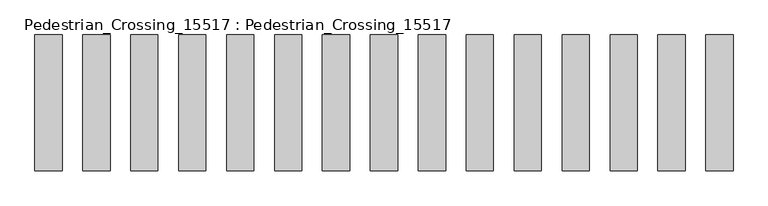
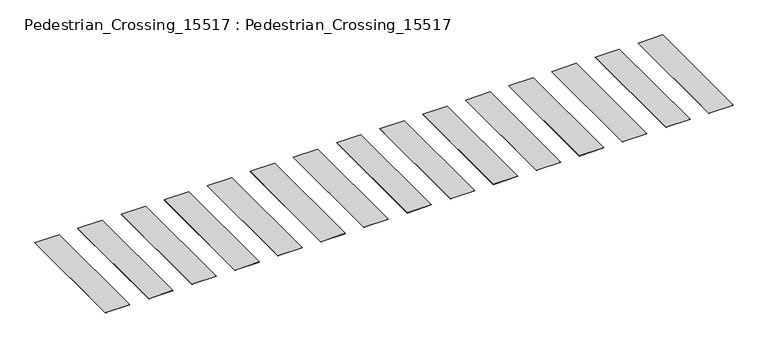
"""IFC4 building model written with IfcOpenShell, lengths in millimetres: proxy geometry, Pedestrian_Crossing_15517 : Pedestrian_Crossing_15517."""

import ifcopenshell
import ifcopenshell.guid

model = None  # the IFC model being written
_history = None  # IfcOwnerHistory: only IFC2X3 demands one
_inside = {}  # id of a spatial element -> (the spatial element, [elements in it])
_under = {}  # id of a project, library or spatial element -> (it, [spatial elements below it])
_declared = {}  # id of a project -> (the project, [libraries it declares])
_typed = {}  # id of a type object -> (the type object, [elements of that type])
_made_of = {}  # id of a material, layer set ... -> (it, [elements and type objects made of it])


def new_model(schema):
    """Start an empty IFC model of exactly this schema.

    Asked for "IFC4X3", IfcOpenShell would pick the latest addendum, in which some entities
    have other attributes; the version numbers below select the first issue.
    IFC2X3 requires an IfcOwnerHistory on every rooted entity: one is made here for all.
    """
    global model, _history
    if schema == "IFC4X3":
        model = ifcopenshell.file(schema_version=(4, 3, 0, 0))
    else:
        model = ifcopenshell.file(schema=schema)
    _inside.clear()
    _under.clear()
    _declared.clear()
    _typed.clear()
    _made_of.clear()
    _history = None
    if model.schema == "IFC2X3":
        org = make("IfcOrganization", Name="unknown")
        user = make(
            "IfcPersonAndOrganization",
            ThePerson=make("IfcPerson", FamilyName="unknown"),
            TheOrganization=org,
        )
        app = make(
            "IfcApplication",
            ApplicationDeveloper=org,
            Version="unknown",
            ApplicationFullName="unknown",
            ApplicationIdentifier="unknown",
        )
        _history = make(
            "IfcOwnerHistory",
            OwningUser=user,
            OwningApplication=app,
            ChangeAction="ADDED",
            CreationDate=0,
        )
    return model


def make(cls, **values):
    """One entity of the class cls with the attributes given. An attribute that is None is left unset."""
    return model.create_entity(
        cls, **{name: value for name, value in values.items() if value is not None}
    )


def rooted(cls, **values):
    """An entity with a GlobalId (a new one), such as an element, a storey or a relation."""
    return make(cls, GlobalId=ifcopenshell.guid.new(), OwnerHistory=_history, **values)


def si_unit(unit_type, name, prefix=None):
    """IfcSIUnit, for example si_unit("LENGTHUNIT", "METRE", prefix="MILLI")."""
    return make("IfcSIUnit", UnitType=unit_type, Prefix=prefix, Name=name)


def assignment(units):
    """IfcUnitAssignment: the units of a project."""
    return None if units is None else make("IfcUnitAssignment", Units=units)


def point(xyz):
    """IfcCartesianPoint."""
    return None if xyz is None else make("IfcCartesianPoint", Coordinates=xyz)


def direction(xyz):
    """IfcDirection."""
    return None if xyz is None else make("IfcDirection", DirectionRatios=xyz)


def frame(location, z_axis=None, x_axis=None):
    """IfcAxis2Placement3D, a coordinate frame: its origin and axes. An axis left out is left unset."""
    return make(
        "IfcAxis2Placement3D",
        Location=point(location),
        Axis=direction(z_axis),
        RefDirection=direction(x_axis),
    )


def origin():
    """The frame at (0, 0, 0) with its axes left unset."""
    return frame((0.0, 0.0, 0.0))


def origin_with_axes():
    """The frame at (0, 0, 0) with the z axis (0, 0, 1) and the x axis (1, 0, 0) written out."""
    return frame((0.0, 0.0, 0.0), z_axis=(0.0, 0.0, 1.0), x_axis=(1.0, 0.0, 0.0))


def place(relative_to, where):
    """IfcLocalPlacement: puts the frame where relative to a parent placement (None: the world)."""
    return make(
        "IfcLocalPlacement", PlacementRelTo=relative_to, RelativePlacement=where
    )


def context(
    kind, dimensions, precision=None, world=None, true_north=None, identifier=None
):
    """IfcGeometricRepresentationContext, for example the 3D "Model" context."""
    return make(
        "IfcGeometricRepresentationContext",
        ContextIdentifier=identifier,
        ContextType=kind,
        CoordinateSpaceDimension=dimensions,
        Precision=precision,
        WorldCoordinateSystem=world,
        TrueNorth=true_north,
    )


def project(units=None, contexts=None):
    """IfcProject with its units and contexts."""
    return rooted(
        "IfcProject",
        Name="project",
        RepresentationContexts=contexts,
        UnitsInContext=assignment(units),
    )


def spatial(cls, under=None, at=None, **own):
    """A site, building, storey or space (cls), placed at a placement, below another one or the project."""
    s = rooted(cls, ObjectPlacement=at, **own)
    if under is not None:
        _under.setdefault(under.id(), (under, []))[1].append(s)
    return s


def polyline(points):
    """IfcPolyline through the points."""
    return make("IfcPolyline", Points=[point(p) for p in points])


def outline(outer, holes=None, kind="AREA"):
    """IfcArbitraryClosedProfileDef: a profile drawn as a closed curve; with holes, ...WithVoids."""
    if holes is None:
        return make("IfcArbitraryClosedProfileDef", ProfileType=kind, OuterCurve=outer)
    return make(
        "IfcArbitraryProfileDefWithVoids",
        ProfileType=kind,
        OuterCurve=outer,
        InnerCurves=holes,
    )


def extrude(swept, where, along, depth):
    """IfcExtrudedAreaSolid: the profile swept, set in the frame where, extruded along a direction by depth."""
    return make(
        "IfcExtrudedAreaSolid",
        SweptArea=swept,
        Position=where,
        ExtrudedDirection=direction(along),
        Depth=depth,
    )


def shape(context_of_items, identifier, shape_type, items):
    """IfcShapeRepresentation: the items that make up one representation, for example the "Body"."""
    return make(
        "IfcShapeRepresentation",
        ContextOfItems=context_of_items,
        RepresentationIdentifier=identifier,
        RepresentationType=shape_type,
        Items=items,
    )


def source(mapping_origin, context_of_items, identifier, shape_type, items):
    """IfcRepresentationMap: a shape defined once, which mapped items show again and again."""
    return make(
        "IfcRepresentationMap",
        MappingOrigin=mapping_origin,
        MappedRepresentation=shape(context_of_items, identifier, shape_type, items),
    )


def transform(
    local_origin,
    x_axis=None,
    y_axis=None,
    z_axis=None,
    scale=None,
    scale2=None,
    scale3=None,
    uniform=True,
):
    """IfcCartesianTransformationOperator3D, or its non-uniform kind. x_axis, y_axis, z_axis: its Axis1, 2, 3."""
    if uniform:
        return make(
            "IfcCartesianTransformationOperator3D",
            Axis1=direction(x_axis),
            Axis2=direction(y_axis),
            LocalOrigin=point(local_origin),
            Scale=scale,
            Axis3=direction(z_axis),
        )
    return make(
        "IfcCartesianTransformationOperator3DnonUniform",
        Axis1=direction(x_axis),
        Axis2=direction(y_axis),
        LocalOrigin=point(local_origin),
        Scale=scale,
        Axis3=direction(z_axis),
        Scale2=scale2,
        Scale3=scale3,
    )


def mapped(mapping_source, mapping_target):
    """IfcMappedItem: shows the shape of a source again, moved by a transform."""
    return make(
        "IfcMappedItem", MappingSource=mapping_source, MappingTarget=mapping_target
    )


def made_of(thing, what):
    """Note that an element or type object is made of a material, layer set ...; save() writes the relation."""
    if what is not None:
        _made_of.setdefault(what.id(), (what, []))[1].append(thing)
    return thing


def element(
    cls,
    number,
    at=None,
    inside=None,
    cuts=None,
    type_object=None,
    material=None,
    context=None,
    identifier="Body",
    shape_type=None,
    held_by="IfcProductDefinitionShape",
    body=None,
    shapes=None,
    **own,
):
    """One element of the class cls, such as IfcWall. Its Tag is "e" and its number.

    at: its placement. inside: the storey or other place that contains it. cuts: it is an
    opening in that element (IfcRelVoidsElement). A single representation is given by context,
    identifier, shape_type and body (its items); several are given by shapes. held_by: the class
    of the entity that holds the representations. save() writes the other relations.
    """
    e = rooted(cls, Tag="e%d" % number, ObjectPlacement=at, **own)
    if body is not None:
        shapes = [shape(context, identifier, shape_type, body)]
    if shapes is not None:
        e.Representation = make(held_by, Representations=shapes)
    if inside is not None:
        _inside.setdefault(inside.id(), (inside, []))[1].append(e)
    if cuts is not None:
        rooted(
            "IfcRelVoidsElement", RelatingBuildingElement=cuts, RelatedOpeningElement=e
        )
    if type_object is not None:
        _typed.setdefault(type_object.id(), (type_object, []))[1].append(e)
    return made_of(e, material)


def aggregate(whole, parts):
    """IfcRelAggregates: a whole, such as a stair, and the parts it consists of."""
    return rooted("IfcRelAggregates", RelatingObject=whole, RelatedObjects=parts)


def save(model, path):
    """Write the relations noted so far, then the file.

    IfcRelAggregates (storeys below a building ...), IfcRelContainedInSpatialStructure (elements
    in a storey), IfcRelDefinesByType, IfcRelAssociatesMaterial and IfcRelDeclares: one each for
    every whole, place, type object, material and project.
    """
    for whole, parts in _under.values():
        aggregate(whole, parts)
    for where, things in _inside.values():
        rooted(
            "IfcRelContainedInSpatialStructure",
            RelatedElements=things,
            RelatingStructure=where,
        )
    for kind, things in _typed.values():
        rooted("IfcRelDefinesByType", RelatedObjects=things, RelatingType=kind)
    for what, things in _made_of.values():
        rooted("IfcRelAssociatesMaterial", RelatedObjects=things, RelatingMaterial=what)
    for by, libraries in _declared.values():
        rooted("IfcRelDeclares", RelatingContext=by, RelatedDefinitions=libraries)
    model.write(path)


def pedestrian_crossing_15517_pedestrian_crossing_15517_d7008253(model_context):
    return source(origin(), model_context, "Body", "SweptSolid", [
        extrude(outline(polyline([(13750.3933103, 3000.0), (14350.3933103, 3000.0), (14350.3933103, 0.0), (13750.3933103, 0.0), (13750.3933103, 3000.0)])), origin_with_axes(), (0.0, 0.0, 1.0), 3.175),
        extrude(outline(polyline([(12692.670748, 3000.0), (13292.670748, 3000.0), (13292.670748, 0.0), (12692.670748, 0.0), (12692.670748, 3000.0)])), origin_with_axes(), (0.0, 0.0, 1.0), 3.175),
        extrude(outline(polyline([(11634.9481856, 3000.0), (12234.9481856, 3000.0), (12234.9481856, 0.0), (11634.9481856, 0.0), (11634.9481856, 3000.0)])), origin_with_axes(), (0.0, 0.0, 1.0), 3.175),
        extrude(outline(polyline([(10577.2256233, 3000.0), (11177.2256233, 3000.0), (11177.2256233, 0.0), (10577.2256233, 0.0), (10577.2256233, 3000.0)])), origin_with_axes(), (0.0, 0.0, 1.0), 3.175),
        extrude(outline(polyline([(9519.503061, 3000.0), (10119.503061, 3000.0), (10119.503061, 0.0), (9519.503061, 0.0), (9519.503061, 3000.0)])), origin_with_axes(), (0.0, 0.0, 1.0), 3.175),
        extrude(outline(polyline([(8461.7804986, 3000.0), (9061.7804986, 3000.0), (9061.7804986, 0.0), (8461.7804986, 0.0), (8461.7804986, 3000.0)])), origin_with_axes(), (0.0, 0.0, 1.0), 3.175),
        extrude(outline(polyline([(7404.0579363, 3000.0), (8004.0579363, 3000.0), (8004.0579363, 0.0), (7404.0579363, 0.0), (7404.0579363, 3000.0)])), origin_with_axes(), (0.0, 0.0, 1.0), 3.175),
        extrude(outline(polyline([(6346.335374, 3000.0), (6946.335374, 3000.0), (6946.335374, 0.0), (6346.335374, 0.0), (6346.335374, 3000.0)])), origin_with_axes(), (0.0, 0.0, 1.0), 3.175),
        extrude(outline(polyline([(5288.6128116, 3000.0), (5888.6128116, 3000.0), (5888.6128116, 0.0), (5288.6128116, 0.0), (5288.6128116, 3000.0)])), origin_with_axes(), (0.0, 0.0, 1.0), 3.175),
        extrude(outline(polyline([(4230.8902493, 3000.0), (4830.8902493, 3000.0), (4830.8902493, 0.0), (4230.8902493, 0.0), (4230.8902493, 3000.0)])), origin_with_axes(), (0.0, 0.0, 1.0), 3.175),
        extrude(outline(polyline([(3173.167687, 3000.0), (3773.167687, 3000.0), (3773.167687, 0.0), (3173.167687, 0.0), (3173.167687, 3000.0)])), origin_with_axes(), (0.0, 0.0, 1.0), 3.175),
        extrude(outline(polyline([(2115.4451247, 3000.0), (2715.4451247, 3000.0), (2715.4451247, 0.0), (2115.4451247, 0.0), (2115.4451247, 3000.0)])), origin_with_axes(), (0.0, 0.0, 1.0), 3.175),
        extrude(outline(polyline([(1057.7225623, 3000.0), (1657.7225623, 3000.0), (1657.7225623, 0.0), (1057.7225623, 0.0), (1057.7225623, 3000.0)])), origin_with_axes(), (0.0, 0.0, 1.0), 3.175),
        extrude(outline(polyline([(14808.1158726, 3000.0), (15408.1158726, 3000.0), (15408.1158726, 0.0), (14808.1158726, 0.0), (14808.1158726, 3000.0)])), origin_with_axes(), (0.0, 0.0, 1.0), 3.175),
        extrude(outline(polyline([(0.0, 3000.0), (600.0, 3000.0), (600.0, 0.0), (0.0, 0.0), (0.0, 3000.0)])), origin_with_axes(), (0.0, 0.0, 1.0), 3.175),
    ])


if __name__ == "__main__":
    model = new_model("IFC4")
    model_context = context("Model", 3, world=origin())
    ifc_project = project(units=[si_unit("LENGTHUNIT", "METRE", prefix="MILLI")], contexts=[model_context])
    site = spatial("IfcSite", under=ifc_project)
    building = spatial("IfcBuilding", under=site)
    placement = place(None, origin())
    pedestrian_crossing_15517_pedestrian_crossing_15517_shape = pedestrian_crossing_15517_pedestrian_crossing_15517_d7008253(model_context)
    element("IfcBuildingElementProxy", 1, Name="Pedestrian_Crossing_15517 : Pedestrian_Crossing_15517", ObjectType="Pedestrian_Crossing_15517 : Pedestrian_Crossing_15517", at=placement, inside=building, context=model_context, shape_type="MappedRepresentation", body=[
        mapped(pedestrian_crossing_15517_pedestrian_crossing_15517_shape, transform((0.0, 0.0, 0.0), x_axis=(1.0, 0.0, 0.0), y_axis=(0.0, 1.0, 0.0), z_axis=(0.0, 0.0, 1.0))),
    ])
    save(model, "model.ifc")
